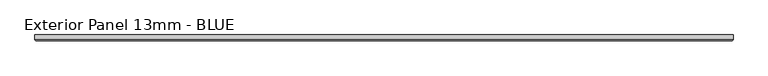
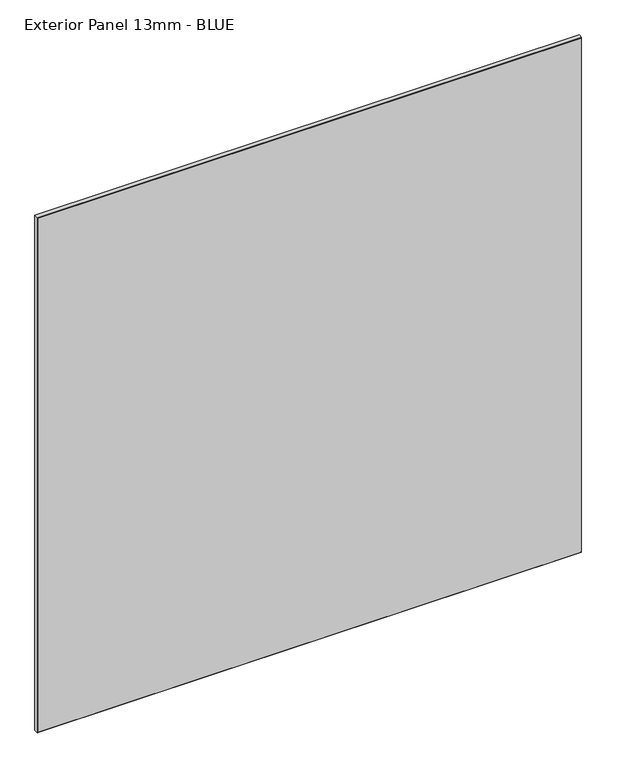
"""IFC4 building model written with IfcOpenShell, lengths in millimetres: proxy geometry, Exterior Panel 13mm - BLUE."""

from ifc_helpers import new_model, si_unit, origin, place, context, project, spatial, faceted_brep, source, transform, mapped, element, save


def exterior_panel_13mm_blue_8c6bba73(model_context):
    return source(origin(), model_context, "Body", "Brep", [
        faceted_brep([(1117.6, 6.35, 1524.0), (-406.4, 6.35, 1524.0), (-406.4, -4.7625, 1524.0), (1117.6, -4.7625, 1524.0), (1117.6, 6.35, 0.0), (1117.6, -4.7625, 0.0), (-406.4, -4.7625, 0.0), (-406.4, 6.35, 0.0), (-404.8125, -6.35, 1522.4125), (-404.8125, -6.35, 1.5875), (1116.0125, -6.35, 1.5875), (1116.0125, -6.35, 1522.4125)], [[[0, 1, 2, 3]], [[4, 5, 6, 7]], [[1, 0, 4, 7]], [[2, 1, 7, 6]], [[8, 9, 10, 11]], [[0, 3, 5, 4]], [[2, 6, 9, 8]], [[5, 3, 11, 10]], [[3, 2, 8, 11]], [[6, 5, 10, 9]]]),
    ])


if __name__ == "__main__":
    model = new_model("IFC4")
    model_context = context("Model", 3, world=origin())
    ifc_project = project(units=[si_unit("LENGTHUNIT", "METRE", prefix="MILLI")], contexts=[model_context])
    site = spatial("IfcSite", under=ifc_project)
    building = spatial("IfcBuilding", under=site)
    placement = place(None, origin())
    exterior_panel_13mm_blue_shape = exterior_panel_13mm_blue_8c6bba73(model_context)
    element("IfcBuildingElementProxy", 1, Name="Exterior Panel 13mm - BLUE", ObjectType="Exterior Panel 13mm - BLUE", at=placement, inside=building, context=model_context, shape_type="MappedRepresentation", body=[
        mapped(exterior_panel_13mm_blue_shape, transform((0.0, 0.0, 0.0), x_axis=(1.0, 0.0, 0.0), y_axis=(0.0, 1.0, 0.0), z_axis=(0.0, 0.0, 1.0))),
    ])
    save(model, "model.ifc")
